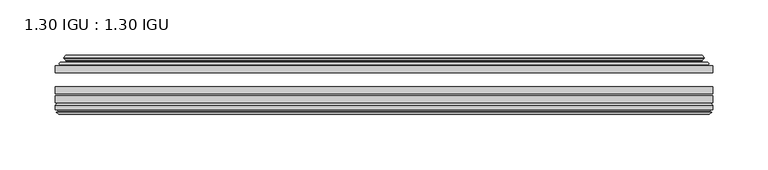
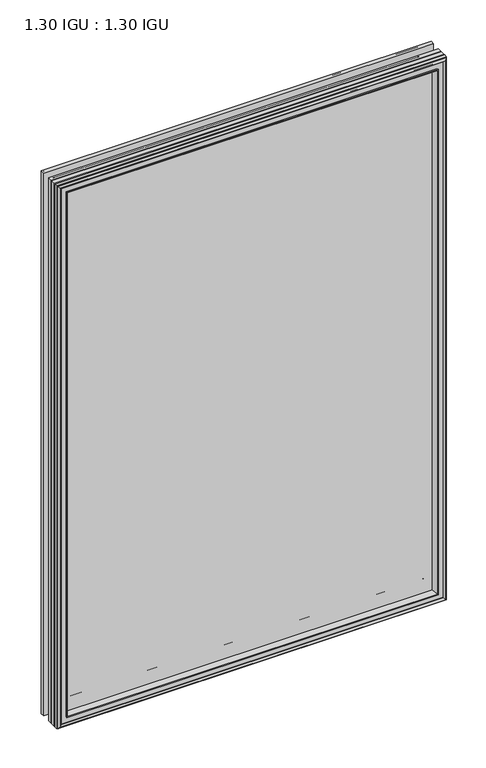
"""IFC4 building model written with IfcOpenShell, lengths in millimetres: plate geometry, 1.30 IGU : 1.30 IGU."""

from ifc_helpers import new_model, si_unit, frame, origin, place, context, project, spatial, polyline, ellipse_curve, outline, extrude, faceted_brep, source, transform, mapped, element, save
from ifc_brep_helpers import plane_surface, cylinder_surface, revolved_surface, advanced_brep


def plate_1_30_igu_1_30_igu_3a758dbc(model_context):
    return source(origin(), model_context, "Body", "SolidModel", [
        extrude(outline(polyline([(296.6906741, -44.92625), (296.6906741, -51.27625), (-296.7576209, -51.27625), (-296.7576209, -44.92625), (296.6906741, -44.92625)])), frame((0.0, 0.0, -14.2875), z_axis=(0.0, 0.0, 1.0), x_axis=(1.0, 0.0, 0.0)), (0.0, 0.0, 1.0), 873.125),
        extrude(outline(polyline([(-296.7576209, -78.58125), (-296.7576209, -72.23125), (296.6906741, -72.23125), (296.6906741, -78.58125), (-296.7576209, -78.58125)])), frame((0.0, 0.0, -14.2875), z_axis=(0.0, 0.0, 1.0), x_axis=(1.0, 0.0, 0.0)), (0.0, 0.0, 1.0), 873.125),
        extrude(outline(polyline([(-296.7576209, -70.32625), (-296.7576209, -63.97625), (296.6906741, -63.97625), (296.6906741, -70.32625), (-296.7576209, -70.32625)])), frame((0.0, 0.0, -14.2875), z_axis=(0.0, 0.0, 1.0), x_axis=(1.0, 0.0, 0.0)), (0.0, 0.0, 1.0), 873.125),
        advanced_brep(
        [(-278.422411, -43.8351483, 840.5022902), (-278.8642212, -44.92625, 840.9441004), (-278.8642212, -44.92625, 3.6058996), (-278.422411, -43.8351483, 4.0477098), (-282.4701209, -36.11245, 844.55), (-282.4701209, -36.11245, 0.0), (-287.6560318, -37.2935491, 849.7359109), (-287.6560318, -37.2935491, -5.1859109), (-287.3264565, -36.4664324, 849.4063356), (-287.3264565, -36.4664324, -4.8563356), (-287.3264565, -35.6521812, 849.4063356), (-287.3264565, -35.6521812, -4.8563356), (-289.1427319, -37.610817, 851.2226111), (-289.1427319, -37.610817, -6.6726111), (-289.1427319, -38.3239429, 851.2226111), (-289.1427319, -38.3239429, -6.6726111), (-287.3264565, -40.2727974, 849.4063356), (-287.3264565, -40.2727974, -4.8563356), (-287.3264565, -39.4683275, 849.4063356), (-287.3264565, -39.4683275, -4.8563356), (-287.648371, -38.6604367, 849.7282501), (-287.648371, -38.6604367, -5.1782501), (-285.1245588, -38.502045, 847.2044379), (-285.1245588, -38.502045, -2.6544379), (-284.0987425, -39.1897544, 846.1786217), (-284.0987425, -39.1897544, -1.6286217), (-284.2171497, -40.5842231, 846.2970288), (-284.2171497, -40.5842231, -1.7470288), (-284.8188956, -42.08145, 846.8987748), (-284.8188956, -42.08145, -2.3487748), (-292.7446762, -43.9898729, 854.8245553), (-292.2590454, -42.08145, 854.3389245), (-292.2590454, -42.08145, -9.7889245), (-292.7446762, -43.9898729, -10.2745553), (-291.0239363, -44.92625, 853.1038155), (-291.0239363, -44.92625, -8.5538155), (278.8642212, -44.92625, 3.6058996), (278.422411, -43.8351483, 4.0477098), (282.4701209, -36.11245, 0.0), (287.6560318, -37.2935491, -5.1859109), (287.3264565, -36.4664324, -4.8563356), (287.3264565, -35.6521812, -4.8563356), (289.1427319, -37.610817, -6.6726111), (289.1427319, -38.3239429, -6.6726111), (287.3264565, -40.2727974, -4.8563356), (287.3264565, -39.4683275, -4.8563356), (287.648371, -38.6604367, -5.1782501), (285.1245588, -38.502045, -2.6544379), (284.0987425, -39.1897544, -1.6286217), (284.2171497, -40.5842231, -1.7470288), (284.8188956, -42.08145, -2.3487748), (292.2590454, -42.08145, -9.7889245), (292.7446762, -43.9898729, -10.2745553), (291.0239363, -44.92625, -8.5538155), (278.8642212, -44.92625, 840.9441004), (278.422411, -43.8351483, 840.5022902), (282.4701209, -36.11245, 844.55), (287.6560318, -37.2935491, 849.7359109), (287.3264565, -36.4664324, 849.4063356), (287.3264565, -35.6521812, 849.4063356), (289.1427319, -37.610817, 851.2226111), (289.1427319, -38.3239429, 851.2226111), (287.3264565, -40.2727974, 849.4063356), (287.3264565, -39.4683275, 849.4063356), (287.648371, -38.6604367, 849.7282501), (285.1245588, -38.502045, 847.2044379), (284.0987425, -39.1897544, 846.1786217), (284.2171497, -40.5842231, 846.2970288), (284.8188956, -42.08145, 846.8987748), (292.2590454, -42.08145, 854.3389245), (292.7446762, -43.9898729, 854.8245553), (291.0239363, -44.92625, 853.1038155)],
        [
            (0, 1, ellipse_curve(frame((-278.8642212, -44.29125, 840.9441004), z_axis=(-0.7071067811865475, 0.0, -0.7071067811865475), x_axis=(-0.7071067811865474, 0.0, 0.7071067811865476)), 0.8980256, 0.635)),
            (1, 2),
            (2, 3, ellipse_curve(frame((-278.8642212, -44.29125, 3.6058996), z_axis=(-0.7071067811865475, 0.0, 0.7071067811865475), x_axis=(0.7071067811865474, 0.0, 0.7071067811865476)), 0.8980256, 0.635)),
            (3, 0),
            (4, 0, ellipse_curve(frame((-268.7373263, -33.8367745, 830.8172054), z_axis=(0.7071067811865475, 0.0, 0.7071067811865475), x_axis=(0.7071067811865474, 0.0, -0.7071067811865476)), 19.6859517, 13.9200699)),
            (3, 5, ellipse_curve(frame((-268.7373263, -33.8367745, 13.7327946), z_axis=(0.7071067811865475, 0.0, -0.7071067811865475), x_axis=(-0.7071067811865474, 0.0, -0.7071067811865476)), 19.6859517, 13.9200699)),
            (5, 4),
            (6, 4),
            (5, 7),
            (7, 6),
            (8, 6),
            (7, 9),
            (9, 8),
            (10, 8),
            (9, 11),
            (11, 10),
            (12, 10),
            (11, 13),
            (13, 12),
            (14, 12, ellipse_curve(frame((-288.7808938, -37.96738, 850.8607729), z_axis=(-0.7071067811865475, 0.0, -0.7071067811865475), x_axis=(-0.7071067811865474, 0.0, 0.7071067811865476)), 0.7184205, 0.508)),
            (13, 15, ellipse_curve(frame((-288.7808938, -37.96738, -6.3107729), z_axis=(-0.7071067811865475, 0.0, 0.7071067811865475), x_axis=(0.7071067811865474, 0.0, 0.7071067811865476)), 0.7184205, 0.508)),
            (15, 14),
            (16, 14),
            (15, 17),
            (17, 16),
            (18, 16),
            (17, 19),
            (19, 18),
            (20, 18),
            (19, 21),
            (21, 20),
            (22, 20),
            (21, 23),
            (23, 22),
            (24, 22, ellipse_curve(frame((-285.0609209, -39.51605, 847.1408), z_axis=(0.7071067811865475, 0.0, 0.7071067811865475), x_axis=(0.7071067811865474, 0.0, -0.7071067811865476)), 1.436841, 1.016)),
            (23, 25, ellipse_curve(frame((-285.0609209, -39.51605, -2.5908), z_axis=(0.7071067811865475, 0.0, -0.7071067811865475), x_axis=(-0.7071067811865474, 0.0, -0.7071067811865476)), 1.436841, 1.016)),
            (25, 24),
            (26, 24, ellipse_curve(frame((-286.4325209, -39.69385, 848.5124), z_axis=(0.7071067811865475, 0.0, 0.7071067811865475), x_axis=(0.7071067811865474, 0.0, -0.7071067811865476)), 3.3765763, 2.3876)),
            (25, 27, ellipse_curve(frame((-286.4325209, -39.69385, -3.9624), z_axis=(0.7071067811865475, 0.0, -0.7071067811865475), x_axis=(-0.7071067811865474, 0.0, -0.7071067811865476)), 3.3765763, 2.3876)),
            (27, 26),
            (28, 26),
            (27, 29),
            (29, 28),
            (30, 31, ellipse_curve(frame((-292.2590454, -43.09745, 854.3389245), z_axis=(-0.7071067811865475, 0.0, -0.7071067811865475), x_axis=(-0.7071067811865474, 0.0, 0.7071067811865476)), 1.436841, 1.016)),
            (31, 32),
            (32, 33, ellipse_curve(frame((-292.2590454, -43.09745, -9.7889245), z_axis=(-0.7071067811865475, 0.0, 0.7071067811865475), x_axis=(0.7071067811865474, 0.0, 0.7071067811865476)), 1.436841, 1.016)),
            (33, 30),
            (34, 30),
            (33, 35),
            (35, 34),
            (2, 36),
            (36, 37, ellipse_curve(frame((278.8642212, -44.29125, 3.6058996), z_axis=(-0.7071067811865475, 0.0, -0.7071067811865475), x_axis=(-0.7071067811865476, 0.0, 0.7071067811865474)), 0.8980256, 0.635)),
            (37, 3),
            (37, 38, ellipse_curve(frame((268.7373263, -33.8367745, 13.7327946), z_axis=(0.7071067811865475, 0.0, 0.7071067811865475), x_axis=(0.7071067811865476, 0.0, -0.7071067811865474)), 19.6859517, 13.9200699)),
            (38, 5),
            (38, 39),
            (39, 7),
            (39, 40),
            (40, 9),
            (40, 41),
            (41, 11),
            (41, 42),
            (42, 13),
            (42, 43, ellipse_curve(frame((288.7808938, -37.96738, -6.3107729), z_axis=(-0.7071067811865475, 0.0, -0.7071067811865475), x_axis=(-0.7071067811865476, 0.0, 0.7071067811865474)), 0.7184205, 0.508)),
            (43, 15),
            (43, 44),
            (44, 17),
            (44, 45),
            (45, 19),
            (45, 46),
            (46, 21),
            (46, 47),
            (47, 23),
            (47, 48, ellipse_curve(frame((285.0609209, -39.51605, -2.5908), z_axis=(0.7071067811865475, 0.0, 0.7071067811865475), x_axis=(0.7071067811865476, 0.0, -0.7071067811865474)), 1.436841, 1.016)),
            (48, 25),
            (48, 49, ellipse_curve(frame((286.4325209, -39.69385, -3.9624), z_axis=(0.7071067811865475, 0.0, 0.7071067811865475), x_axis=(0.7071067811865476, 0.0, -0.7071067811865474)), 3.3765763, 2.3876)),
            (49, 27),
            (49, 50),
            (50, 29),
            (32, 51),
            (51, 52, ellipse_curve(frame((292.2590454, -43.09745, -9.7889245), z_axis=(-0.7071067811865475, 0.0, -0.7071067811865475), x_axis=(-0.7071067811865476, 0.0, 0.7071067811865474)), 1.436841, 1.016)),
            (52, 33),
            (52, 53),
            (53, 35),
            (36, 54),
            (54, 55, ellipse_curve(frame((278.8642212, -44.29125, 840.9441004), z_axis=(0.7071067811865475, 0.0, -0.7071067811865475), x_axis=(-0.7071067811865474, 0.0, -0.7071067811865476)), 0.8980256, 0.635)),
            (55, 37),
            (55, 56, ellipse_curve(frame((268.7373263, -33.8367745, 830.8172054), z_axis=(-0.7071067811865475, 0.0, 0.7071067811865475), x_axis=(0.7071067811865474, 0.0, 0.7071067811865476)), 19.6859517, 13.9200699)),
            (56, 38),
            (56, 57),
            (57, 39),
            (57, 58),
            (58, 40),
            (58, 59),
            (59, 41),
            (59, 60),
            (60, 42),
            (60, 61, ellipse_curve(frame((288.7808938, -37.96738, 850.8607729), z_axis=(0.7071067811865475, 0.0, -0.7071067811865475), x_axis=(-0.7071067811865474, 0.0, -0.7071067811865476)), 0.7184205, 0.508)),
            (61, 43),
            (61, 62),
            (62, 44),
            (62, 63),
            (63, 45),
            (63, 64),
            (64, 46),
            (64, 65),
            (65, 47),
            (65, 66, ellipse_curve(frame((285.0609209, -39.51605, 847.1408), z_axis=(-0.7071067811865475, 0.0, 0.7071067811865475), x_axis=(0.7071067811865474, 0.0, 0.7071067811865476)), 1.436841, 1.016)),
            (66, 48),
            (66, 67, ellipse_curve(frame((286.4325209, -39.69385, 848.5124), z_axis=(-0.7071067811865475, 0.0, 0.7071067811865475), x_axis=(0.7071067811865474, 0.0, 0.7071067811865476)), 3.3765763, 2.3876)),
            (67, 49),
            (67, 68),
            (68, 50),
            (51, 69),
            (69, 70, ellipse_curve(frame((292.2590454, -43.09745, 854.3389245), z_axis=(0.7071067811865475, 0.0, -0.7071067811865475), x_axis=(-0.7071067811865474, 0.0, -0.7071067811865476)), 1.436841, 1.016)),
            (70, 52),
            (70, 71),
            (71, 53),
            (54, 1),
            (0, 55),
            (4, 56),
            (6, 57),
            (8, 58),
            (10, 59),
            (12, 60),
            (14, 61),
            (16, 62),
            (18, 63),
            (20, 64),
            (22, 65),
            (24, 66),
            (26, 67),
            (28, 68),
            (31, 69),
            (30, 70),
            (34, 71),
        ],
        [
            cylinder_surface(frame((-278.8642212, -44.29125, 876.3), z_axis=(0.0, 0.0, 1.0), x_axis=(-1.0, 0.0, 0.0)), 0.635),
            revolved_surface(polyline([(-282.6573962, -33.8367745, -0.18727534118079348), (-282.6573962, -33.8367745, 844.7372753411809)]), (-268.7373263, -33.8367745, 876.3), (0.0, 0.0, -1.0)),
            plane_surface(frame((-282.4701209, -36.11245, 844.55), z_axis=(-0.2220649844277866, 0.975031867525922, 0.0), x_axis=(0.0, 0.0, -1.0))),
            plane_surface(frame((-287.6560318, -37.2935491, 849.7359109), z_axis=(0.9289682685629922, -0.3701593656833182, 0.0), x_axis=(0.0, 0.0, -1.0))),
            plane_surface(frame((-287.3264565, -36.4664324, 849.4063356), z_axis=(1.0, 0.0, 0.0), x_axis=(0.0, 0.0, -1.0))),
            plane_surface(frame((-287.3264565, -35.6521812, 849.4063356), z_axis=(-0.7332521292723956, 0.6799568478348447, 0.0), x_axis=(0.0, 0.0, -1.0))),
            cylinder_surface(frame((-288.7808938, -37.96738, 876.3), z_axis=(0.0, 0.0, 1.0), x_axis=(-1.0, 0.0, 0.0)), 0.508),
            plane_surface(frame((-289.1427319, -38.3239429, 851.2226111), z_axis=(-0.7315522693036389, -0.6817853601220082, 0.0), x_axis=(0.0, 0.0, -1.0))),
            plane_surface(frame((-287.3264565, -40.2727974, 849.4063356), z_axis=(1.0, 0.0, 0.0), x_axis=(0.0, 0.0, -1.0))),
            plane_surface(frame((-287.3264565, -39.4683275, 849.4063356), z_axis=(0.9289682685631103, 0.37015936568302166, 0.0), x_axis=(0.0, 0.0, -1.0))),
            plane_surface(frame((-287.648371, -38.6604367, 849.7282501), z_axis=(0.06263570119321646, -0.9980364567169048, 0.0), x_axis=(0.0, 0.0, -1.0))),
            revolved_surface(polyline([(-286.0769209, -39.51605, -3.606800014586838), (-286.0769209, -39.51605, 848.1568000145869)]), (-285.0609209, -39.51605, 876.3), (0.0, 0.0, -1.0)),
            revolved_surface(polyline([(-288.8201209, -39.69385, -6.3499999989237494), (-288.8201209, -39.69385, 850.8999999989237)]), (-286.4325209, -39.69385, 876.3), (0.0, 0.0, -1.0)),
            plane_surface(frame((-284.2171497, -40.5842231, 846.2970288), z_axis=(-0.9278652925428912, 0.372915538553028, 0.0), x_axis=(0.0, 0.0, -1.0))),
            cylinder_surface(frame((-292.2590454, -43.09745, 876.3), z_axis=(0.0, 0.0, 1.0), x_axis=(-1.0, 0.0, 0.0)), 1.016),
            plane_surface(frame((-292.7446762, -43.9898729, 854.8245553), z_axis=(-0.477983117370979, -0.8783690223979447, 0.0), x_axis=(0.0, 0.0, -1.0))),
            cylinder_surface(frame((-314.2201209, -44.29125, 3.6058996), z_axis=(-1.0, 0.0, 0.0), x_axis=(0.0, 0.0, -1.0)), 0.635),
            revolved_surface(polyline([(282.6573962411808, -33.8367745, -0.1872752999999996), (-282.65739624118083, -33.8367745, -0.1872752999999996)]), (-314.2201209, -33.8367745, 13.7327946), (1.0, 0.0, 0.0)),
            plane_surface(frame((-282.4701209, -36.11245, 0.0), z_axis=(0.0, 0.9750318675259213, -0.22206498442778974), x_axis=(1.0, 0.0, 0.0))),
            plane_surface(frame((-287.6560318, -37.2935491, -5.1859109), z_axis=(0.0, -0.3701593656833152, 0.9289682685629934), x_axis=(1.0, 0.0, 0.0))),
            plane_surface(frame((-287.3264565, -36.4664324, -4.8563356), z_axis=(0.0, 0.0, 1.0), x_axis=(1.0, 0.0, 0.0))),
            plane_surface(frame((-287.3264565, -35.6521812, -4.8563356), z_axis=(0.0, 0.6799568478348423, -0.7332521292723978), x_axis=(1.0, 0.0, 0.0))),
            cylinder_surface(frame((-314.2201209, -37.96738, -6.3107729), z_axis=(-1.0, 0.0, 0.0), x_axis=(0.0, 0.0, -1.0)), 0.508),
            plane_surface(frame((-289.1427319, -38.3239429, -6.6726111), z_axis=(0.0, -0.6817853601220105, -0.7315522693036367), x_axis=(1.0, 0.0, 0.0))),
            plane_surface(frame((-287.3264565, -40.2727974, -4.8563356), z_axis=(0.0, 0.0, 1.0), x_axis=(1.0, 0.0, 0.0))),
            plane_surface(frame((-287.3264565, -39.4683275, -4.8563356), z_axis=(0.0, 0.37015936568302465, 0.9289682685631091), x_axis=(1.0, 0.0, 0.0))),
            plane_surface(frame((-287.648371, -38.6604367, -5.1782501), z_axis=(0.0, -0.9980364567169046, 0.06263570119321968), x_axis=(1.0, 0.0, 0.0))),
            revolved_surface(polyline([(286.0769209145868, -39.51605, -3.6068000000000002), (-286.0769209145868, -39.51605, -3.6068000000000002)]), (-314.2201209, -39.51605, -2.5908), (1.0, 0.0, 0.0)),
            revolved_surface(polyline([(288.82012089892373, -39.69385, -6.35), (-288.8201208989238, -39.69385, -6.35)]), (-314.2201209, -39.69385, -3.9624), (1.0, 0.0, 0.0)),
            plane_surface(frame((-284.2171497, -40.5842231, -1.7470288), z_axis=(0.0, 0.372915538553025, -0.9278652925428924), x_axis=(1.0, 0.0, 0.0))),
            cylinder_surface(frame((-314.2201209, -43.09745, -9.7889245), z_axis=(-1.0, 0.0, 0.0), x_axis=(0.0, 0.0, -1.0)), 1.016),
            plane_surface(frame((-292.7446762, -43.9898729, -10.2745553), z_axis=(0.0, -0.8783690223979462, -0.47798311737097615), x_axis=(1.0, 0.0, 0.0))),
            cylinder_surface(frame((278.8642212, -44.29125, -31.75), z_axis=(0.0, 0.0, -1.0), x_axis=(1.0, 0.0, 0.0)), 0.635),
            revolved_surface(polyline([(282.6573962, -33.8367745, 844.7372753411809), (282.6573962, -33.8367745, -0.1872753411808432)]), (268.7373263, -33.8367745, -31.75), (0.0, 0.0, 1.0)),
            plane_surface(frame((282.4701209, -36.11245, 0.0), z_axis=(0.22206498442779285, 0.9750318675259205, 0.0), x_axis=(0.0, 0.0, 1.0))),
            plane_surface(frame((287.6560318, -37.2935491, -5.1859109), z_axis=(-0.9289682685629946, -0.3701593656833122, 0.0), x_axis=(0.0, 0.0, 1.0))),
            plane_surface(frame((287.3264565, -36.4664324, -4.8563356), z_axis=(-1.0, 0.0, 0.0), x_axis=(0.0, 0.0, 1.0))),
            plane_surface(frame((287.3264565, -35.6521812, -4.8563356), z_axis=(0.7332521292724, 0.67995684783484, 0.0), x_axis=(0.0, 0.0, 1.0))),
            cylinder_surface(frame((288.7808938, -37.96738, -31.75), z_axis=(0.0, 0.0, -1.0), x_axis=(1.0, 0.0, 0.0)), 0.508),
            plane_surface(frame((289.1427319, -38.3239429, -6.6726111), z_axis=(0.7315522693036345, -0.6817853601220129, 0.0), x_axis=(0.0, 0.0, 1.0))),
            plane_surface(frame((287.3264565, -40.2727974, -4.8563356), z_axis=(-1.0, 0.0, 0.0), x_axis=(0.0, 0.0, 1.0))),
            plane_surface(frame((287.3264565, -39.4683275, -4.8563356), z_axis=(-0.928968268563108, 0.3701593656830277, 0.0), x_axis=(0.0, 0.0, 1.0))),
            plane_surface(frame((287.648371, -38.6604367, -5.1782501), z_axis=(-0.0626357011932229, -0.9980364567169043, 0.0), x_axis=(0.0, 0.0, 1.0))),
            revolved_surface(polyline([(286.0769209, -39.51605, 848.1568000145869), (286.0769209, -39.51605, -3.606800014586863)]), (285.0609209, -39.51605, -31.75), (0.0, 0.0, 1.0)),
            revolved_surface(polyline([(288.8201209, -39.69385, 850.8999999989237), (288.8201209, -39.69385, -6.349999998923781)]), (286.4325209, -39.69385, -31.75), (0.0, 0.0, 1.0)),
            plane_surface(frame((284.2171497, -40.5842231, -1.7470288), z_axis=(0.9278652925428936, 0.372915538553022, 0.0), x_axis=(0.0, 0.0, 1.0))),
            cylinder_surface(frame((292.2590454, -43.09745, -31.75), z_axis=(0.0, 0.0, -1.0), x_axis=(1.0, 0.0, 0.0)), 1.016),
            plane_surface(frame((292.7446762, -43.9898729, -10.2745553), z_axis=(0.4779831173709733, -0.8783690223979478, 0.0), x_axis=(0.0, 0.0, 1.0))),
            cylinder_surface(frame((314.2201209, -44.29125, 840.9441004), z_axis=(1.0, 0.0, 0.0), x_axis=(0.0, 0.0, 1.0)), 0.635),
            revolved_surface(polyline([(-282.6573962411808, -33.8367745, 844.7372753000001), (282.65739624118083, -33.8367745, 844.7372753000001)]), (314.2201209, -33.8367745, 830.8172054), (-1.0, 0.0, 0.0)),
            plane_surface(frame((282.4701209, -36.11245, 844.55), z_axis=(0.0, 0.9750318675259212, 0.2220649844277897), x_axis=(-1.0, 0.0, 0.0))),
            plane_surface(frame((287.6560318, -37.2935491, 849.7359109), z_axis=(0.0, -0.3701593656833152, -0.9289682685629934), x_axis=(-1.0, 0.0, 0.0))),
            plane_surface(frame((287.3264565, -36.4664324, 849.4063356), z_axis=(0.0, 0.0, -1.0), x_axis=(-1.0, 0.0, 0.0))),
            plane_surface(frame((287.3264565, -35.6521812, 849.4063356), z_axis=(0.0, 0.6799568478348423, 0.7332521292723978), x_axis=(-1.0, 0.0, 0.0))),
            cylinder_surface(frame((314.2201209, -37.96738, 850.8607729), z_axis=(1.0, 0.0, 0.0), x_axis=(0.0, 0.0, 1.0)), 0.508),
            plane_surface(frame((289.1427319, -38.3239429, 851.2226111), z_axis=(0.0, -0.6817853601220105, 0.7315522693036367), x_axis=(-1.0, 0.0, 0.0))),
            plane_surface(frame((287.3264565, -40.2727974, 849.4063356), z_axis=(0.0, 0.0, -1.0), x_axis=(-1.0, 0.0, 0.0))),
            plane_surface(frame((287.3264565, -39.4683275, 849.4063356), z_axis=(0.0, 0.3701593656830247, -0.9289682685631092), x_axis=(-1.0, 0.0, 0.0))),
            plane_surface(frame((287.648371, -38.6604367, 849.7282501), z_axis=(0.0, -0.9980364567169046, -0.06263570119321968), x_axis=(-1.0, 0.0, 0.0))),
            revolved_surface(polyline([(-286.0769209145868, -39.51605, 848.1568), (286.0769209145868, -39.51605, 848.1568)]), (314.2201209, -39.51605, 847.1408), (-1.0, 0.0, 0.0)),
            revolved_surface(polyline([(-288.82012089892373, -39.69385, 850.9), (288.8201208989238, -39.69385, 850.9)]), (314.2201209, -39.69385, 848.5124), (-1.0, 0.0, 0.0)),
            plane_surface(frame((284.2171497, -40.5842231, 846.2970288), z_axis=(0.0, 0.372915538553025, 0.9278652925428924), x_axis=(-1.0, 0.0, 0.0))),
            plane_surface(frame((284.8188956, -42.08145, 846.8987748), z_axis=(0.0, 1.0, 0.0), x_axis=(-1.0, 0.0, 0.0))),
            cylinder_surface(frame((314.2201209, -43.09745, 854.3389245), z_axis=(1.0, 0.0, 0.0), x_axis=(0.0, 0.0, 1.0)), 1.016),
            plane_surface(frame((292.7446762, -43.9898729, 854.8245553), z_axis=(0.0, -0.8783690223979462, 0.47798311737097615), x_axis=(-1.0, 0.0, 0.0))),
            plane_surface(frame((291.0239363, -44.92625, 853.1038155), z_axis=(0.0, -1.0, 0.0), x_axis=(-1.0, 0.0, 0.0))),
        ],
        [
            (0, [[1, 2, 3, 4]]),
            (1, [[5, -4, 6, 7]]),
            (2, [[8, -7, 9, 10]]),
            (3, [[11, -10, 12, 13]]),
            (4, [[14, -13, 15, 16]]),
            (5, [[17, -16, 18, 19]]),
            (6, [[20, -19, 21, 22]]),
            (7, [[23, -22, 24, 25]]),
            (8, [[26, -25, 27, 28]]),
            (9, [[29, -28, 30, 31]]),
            (10, [[32, -31, 33, 34]]),
            (11, [[35, -34, 36, 37]]),
            (12, [[38, -37, 39, 40]]),
            (13, [[41, -40, 42, 43]]),
            (14, [[44, 45, 46, 47]]),
            (15, [[48, -47, 49, 50]]),
            (16, [[-3, 51, 52, 53]]),
            (17, [[-6, -53, 54, 55]]),
            (18, [[-9, -55, 56, 57]]),
            (19, [[-12, -57, 58, 59]]),
            (20, [[-15, -59, 60, 61]]),
            (21, [[-18, -61, 62, 63]]),
            (22, [[-21, -63, 64, 65]]),
            (23, [[-24, -65, 66, 67]]),
            (24, [[-27, -67, 68, 69]]),
            (25, [[-30, -69, 70, 71]]),
            (26, [[-33, -71, 72, 73]]),
            (27, [[-36, -73, 74, 75]]),
            (28, [[-39, -75, 76, 77]]),
            (29, [[-42, -77, 78, 79]]),
            (30, [[-46, 80, 81, 82]]),
            (31, [[-49, -82, 83, 84]]),
            (32, [[-52, 85, 86, 87]]),
            (33, [[-54, -87, 88, 89]]),
            (34, [[-56, -89, 90, 91]]),
            (35, [[-58, -91, 92, 93]]),
            (36, [[-60, -93, 94, 95]]),
            (37, [[-62, -95, 96, 97]]),
            (38, [[-64, -97, 98, 99]]),
            (39, [[-66, -99, 100, 101]]),
            (40, [[-68, -101, 102, 103]]),
            (41, [[-70, -103, 104, 105]]),
            (42, [[-72, -105, 106, 107]]),
            (43, [[-74, -107, 108, 109]]),
            (44, [[-76, -109, 110, 111]]),
            (45, [[-78, -111, 112, 113]]),
            (46, [[-81, 114, 115, 116]]),
            (47, [[-83, -116, 117, 118]]),
            (48, [[-86, 119, -1, 120]]),
            (49, [[-88, -120, -5, 121]]),
            (50, [[-90, -121, -8, 122]]),
            (51, [[-92, -122, -11, 123]]),
            (52, [[-94, -123, -14, 124]]),
            (53, [[-96, -124, -17, 125]]),
            (54, [[-98, -125, -20, 126]]),
            (55, [[-100, -126, -23, 127]]),
            (56, [[-102, -127, -26, 128]]),
            (57, [[-104, -128, -29, 129]]),
            (58, [[-106, -129, -32, 130]]),
            (59, [[-108, -130, -35, 131]]),
            (60, [[-110, -131, -38, 132]]),
            (61, [[-112, -132, -41, 133]]),
            (62, [[134, -114, -80, -45], [-79, -113, -133, -43]]),
            (63, [[-115, -134, -44, 135]]),
            (64, [[-117, -135, -48, 136]]),
            (65, [[-84, -118, -136, -50], [-119, -85, -51, -2]]),
        ],
    ),
        faceted_brep([(-278.6159036, -78.58125, 840.6957827), (-281.1822006, -87.47125, 843.2620798), (-281.1822006, -87.47125, 1.2879202), (-278.6159036, -78.58125, 3.8542173), (-296.7703209, -80.7883102, 858.8502), (-294.5632606, -78.58125, 856.6431398), (-294.5632606, -78.58125, -12.0931398), (-296.7703209, -80.7883102, -14.3002), (-296.7703209, -84.93125, 858.8502), (-296.7703209, -84.93125, -14.3002), (-294.3512984, -86.11489, 856.4311775), (-295.1904891, -84.93125, 857.2703682), (-295.1904891, -84.93125, -12.7203682), (-294.3512984, -86.11489, -11.8811775), (-294.1541209, -87.4125884, 856.234), (-294.1541209, -87.4125884, -11.684), (-295.1297808, -86.8828917, 857.20966), (-295.1297808, -86.8828917, -12.65966), (-293.5953209, -88.6999663, 855.6752), (-295.9224514, -86.8828917, 858.0023305), (-295.9224514, -86.8828917, -13.4523305), (-293.5953209, -88.6999663, -11.1252), (-291.2681904, -86.8828917, 853.3480695), (-291.2681904, -86.8828917, -8.7980695), (-293.0365209, -87.4125884, 855.1164), (-292.0608609, -86.8828917, 854.14074), (-292.0608609, -86.8828917, -9.59074), (-293.0365209, -87.4125884, -10.5664), (-292.8393433, -86.11489, 854.9192225), (-292.8393433, -86.11489, -10.3692225), (-291.9697209, -84.93125, 854.0496), (-291.9697209, -84.93125, -9.4996), (-282.8214876, -87.47125, 844.9013667), (-282.2923209, -84.93125, 844.3722), (-282.2923209, -84.93125, 0.1778), (-282.8214876, -87.47125, -0.3513667), (281.1822006, -87.47125, 1.2879202), (278.6159036, -78.58125, 3.8542173), (294.5632606, -78.58125, -12.0931398), (296.7703209, -80.7883102, -14.3002), (296.7703209, -84.93125, -14.3002), (295.1904891, -84.93125, -12.7203682), (294.3512984, -86.11489, -11.8811775), (294.1541209, -87.4125884, -11.684), (295.1297808, -86.8828917, -12.65966), (295.9224514, -86.8828917, -13.4523305), (293.5953209, -88.6999663, -11.1252), (291.2681904, -86.8828917, -8.7980695), (292.0608609, -86.8828917, -9.59074), (293.0365209, -87.4125884, -10.5664), (292.8393433, -86.11489, -10.3692225), (291.9697209, -84.93125, -9.4996), (282.2923209, -84.93125, 0.1778), (282.8214876, -87.47125, -0.3513667), (281.1822006, -87.47125, 843.2620798), (278.6159036, -78.58125, 840.6957827), (294.5632606, -78.58125, 856.6431398), (296.7703209, -80.7883102, 858.8502), (296.7703209, -84.93125, 858.8502), (295.1904891, -84.93125, 857.2703682), (294.3512984, -86.11489, 856.4311775), (294.1541209, -87.4125884, 856.234), (295.1297808, -86.8828917, 857.20966), (295.9224514, -86.8828917, 858.0023305), (293.5953209, -88.6999663, 855.6752), (291.2681904, -86.8828917, 853.3480695), (292.0608609, -86.8828917, 854.14074), (293.0365209, -87.4125884, 855.1164), (292.8393433, -86.11489, 854.9192225), (291.9697209, -84.93125, 854.0496), (282.2923209, -84.93125, 844.3722), (282.8214876, -87.47125, 844.9013667)], [[[0, 1, 2, 3]], [[4, 5, 6, 7]], [[8, 4, 7, 9]], [[10, 11, 12, 13]], [[14, 10, 13, 15]], [[16, 14, 15, 17]], [[18, 19, 20, 21]], [[22, 18, 21, 23]], [[24, 25, 26, 27]], [[28, 24, 27, 29]], [[30, 28, 29, 31]], [[32, 33, 34, 35]], [[3, 2, 36, 37]], [[7, 6, 38, 39]], [[9, 7, 39, 40]], [[13, 12, 41, 42]], [[15, 13, 42, 43]], [[17, 15, 43, 44]], [[21, 20, 45, 46]], [[23, 21, 46, 47]], [[27, 26, 48, 49]], [[29, 27, 49, 50]], [[31, 29, 50, 51]], [[35, 34, 52, 53]], [[37, 36, 54, 55]], [[39, 38, 56, 57]], [[40, 39, 57, 58]], [[42, 41, 59, 60]], [[43, 42, 60, 61]], [[44, 43, 61, 62]], [[46, 45, 63, 64]], [[47, 46, 64, 65]], [[49, 48, 66, 67]], [[50, 49, 67, 68]], [[51, 50, 68, 69]], [[53, 52, 70, 71]], [[55, 54, 1, 0]], [[5, 56, 38, 6], [3, 37, 55, 0]], [[57, 56, 5, 4]], [[58, 57, 4, 8]], [[9, 40, 58, 8], [11, 59, 41, 12]], [[60, 59, 11, 10]], [[61, 60, 10, 14]], [[62, 61, 14, 16]], [[19, 63, 45, 20], [17, 44, 62, 16]], [[64, 63, 19, 18]], [[65, 64, 18, 22]], [[25, 66, 48, 26], [23, 47, 65, 22]], [[67, 66, 25, 24]], [[68, 67, 24, 28]], [[69, 68, 28, 30]], [[31, 51, 69, 30], [33, 70, 52, 34]], [[71, 70, 33, 32]], [[35, 53, 71, 32], [1, 54, 36, 2]]]),
    ])


if __name__ == "__main__":
    model = new_model("IFC4")
    model_context = context("Model", 3, world=origin())
    ifc_project = project(units=[si_unit("LENGTHUNIT", "METRE", prefix="MILLI")], contexts=[model_context])
    site = spatial("IfcSite", under=ifc_project)
    building = spatial("IfcBuilding", under=site)
    placement = place(None, origin())
    plate_1_30_igu_1_30_igu_shape = plate_1_30_igu_1_30_igu_3a758dbc(model_context)
    element("IfcPlate", 1, ObjectType="1.30 IGU : 1.30 IGU", at=placement, inside=building, context=model_context, shape_type="MappedRepresentation", body=[
        mapped(plate_1_30_igu_1_30_igu_shape, transform((0.0, 0.0, 0.0), x_axis=(1.0, 0.0, 0.0), y_axis=(0.0, 1.0, 0.0), z_axis=(0.0, 0.0, 1.0))),
    ])
    save(model, "model.ifc")
